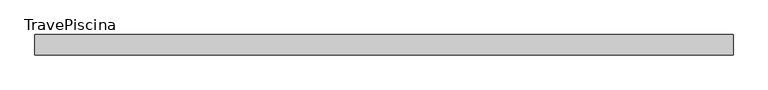
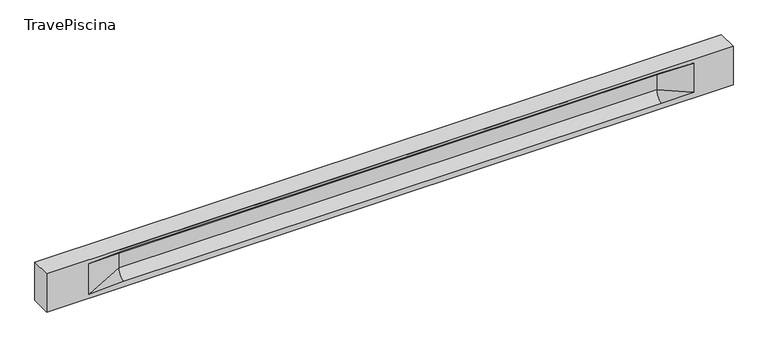
"""IFC4 building model written with IfcOpenShell, lengths in millimetres: beam geometry, TravePiscina."""

from ifc_helpers import new_model, si_unit, frame, origin, place, context, project, spatial, polyline, circle_curve, source, transform, mapped, element, save
from ifc_brep_helpers import plane_surface, revolved_surface, spline_surface, advanced_brep


def travepiscina_f6c39da1(model_context):
    return source(origin(), model_context, "Body", "AdvancedBrep", [
        advanced_brep(
        [(8500.5, -250.0, 500.0), (8500.5, -250.0, -500.0), (8500.5, 250.0, -500.0), (8500.5, 250.0, 500.0), (-8500.5, -250.0, 500.0), (-8500.5, -250.0, -500.0), (7525.5, -250.0, -362.0), (6725.5, -250.0, -360.0), (-6600.5, -250.0, -360.0), (-7450.5, -250.0, -400.0), (-7450.5, -250.0, 400.0), (-6600.5, -250.0, 435.0), (6725.5, -250.0, 435.0), (7525.5, -250.0, 400.0), (-8500.5, 250.0, -500.0), (-8500.5, 250.0, 500.0), (7525.5, 250.0, 400.0), (6725.5, 250.0, 435.0), (-6600.5, 250.0, 435.0), (-7450.5, 250.0, 400.0), (-7450.5, 250.0, -400.0), (-6600.5, 250.0, -360.0), (6725.5, 250.0, -360.0), (7525.5, 250.0, -362.0), (6725.5, 155.0, 405.0), (-6600.5, 155.0, 405.0), (-6600.5, -60.0, 262.777021), (6725.5, -60.0, 262.777021), (6725.5, -155.0, 405.0), (-6600.5, -155.0, 405.0), (-6600.5, 60.0, 262.777021), (6725.5, 60.0, 262.777021), (6725.5, 60.0, -120.0), (-6600.5, 60.0, -120.0), (-6600.5, -60.0, -120.0), (6725.5, -60.0, -120.0)],
        [
            (0, 1),
            (1, 2),
            (2, 3),
            (3, 0),
            (0, 4),
            (4, 5),
            (5, 1),
            (6, 7),
            (7, 8),
            (8, 9),
            (9, 10),
            (10, 11),
            (11, 12),
            (12, 13),
            (13, 6),
            (5, 14),
            (14, 2),
            (14, 15),
            (15, 3),
            (16, 17),
            (17, 18),
            (18, 19),
            (19, 20),
            (20, 21),
            (21, 22),
            (22, 23),
            (23, 16),
            (15, 4),
            (17, 24),
            (24, 25),
            (25, 18),
            (26, 27),
            (27, 28, circle_curve(frame((6725.5, -213.9598725, 262.777021), z_axis=(1.0, 0.0, 0.0), x_axis=(0.0, 1.0, 0.0)), 153.9598725)),
            (28, 29),
            (29, 26, circle_curve(frame((-6600.5, -213.9598725, 262.777021), z_axis=(-1.0, 0.0, 0.0), x_axis=(0.0, 1.0, 0.0)), 153.9598725)),
            (30, 31),
            (31, 32),
            (32, 33),
            (33, 30),
            (28, 12),
            (11, 29),
            (34, 35),
            (35, 27),
            (26, 34),
            (25, 19),
            (22, 32, circle_curve(frame((6725.5, 306.5789474, -120.0), z_axis=(-1.0, 0.0, 0.0), x_axis=(0.0, 1.0, 0.0)), 246.5789474)),
            (32, 23),
            (10, 29),
            (10, 26),
            (13, 28),
            (27, 13),
            (30, 19),
            (25, 30, circle_curve(frame((-6600.5, 213.9598725, 262.777021), z_axis=(1.0, 0.0, 0.0), x_axis=(0.0, 1.0, 0.0)), 153.9598725)),
            (9, 34),
            (8, 34, circle_curve(frame((-6600.5, -306.5789474, -120.0), z_axis=(1.0, 0.0, 0.0), x_axis=(0.0, 1.0, 0.0)), 246.5789474)),
            (20, 33),
            (33, 21, circle_curve(frame((-6600.5, 306.5789474, -120.0), z_axis=(1.0, 0.0, 0.0), x_axis=(0.0, 1.0, 0.0)), 246.5789474)),
            (35, 6),
            (35, 7, circle_curve(frame((6725.5, -306.5789474, -120.0), z_axis=(-1.0, 0.0, 0.0), x_axis=(0.0, 1.0, 0.0)), 246.5789474)),
            (31, 16),
            (31, 24, circle_curve(frame((6725.5, 213.9598725, 262.777021), z_axis=(-1.0, 0.0, 0.0), x_axis=(0.0, 1.0, 0.0)), 153.9598725)),
            (24, 16),
        ],
        [
            plane_surface(frame((8500.5, 0.0, 0.0), z_axis=(1.0, 0.0, 0.0), x_axis=(0.0, 0.0, 1.0))),
            plane_surface(frame((8500.5, -250.0, 500.0), z_axis=(0.0, -1.0, 0.0), x_axis=(-1.0, 0.0, 0.0))),
            plane_surface(frame((8500.5, -250.0, -500.0), z_axis=(0.0, 0.0, -1.0), x_axis=(-1.0, 0.0, 0.0))),
            plane_surface(frame((8500.5, 250.0, -500.0), z_axis=(0.0, 1.0, 0.0), x_axis=(-1.0, 0.0, 0.0))),
            plane_surface(frame((8500.5, 250.0, 500.0), z_axis=(0.0, 0.0, 1.0), x_axis=(-1.0, 0.0, 0.0))),
            plane_surface(frame((-6600.5, 250.0, 435.0), z_axis=(0.0, 0.30113136793710954, -0.9535826651341378), x_axis=(1.0, 0.0, 0.0))),
            plane_surface(frame((-8500.5, 0.0, 0.0), z_axis=(-1.0, 0.0, 0.0), x_axis=(0.0, 0.0, 1.0))),
            revolved_surface(polyline([(6725.5, -60.0, 262.777021), (-6600.5, -60.0, 262.777021)]), (-6600.5, -213.9598725, 262.777021), (1.0, 0.0, 0.0)),
            plane_surface(frame((-6600.5, 60.0, 262.777021), z_axis=(0.0, 1.0, 0.0), x_axis=(1.0, 0.0, 0.0))),
            plane_surface(frame((-6600.5, -155.0, 405.0), z_axis=(0.0, -0.30113136793710693, -0.9535826651341387), x_axis=(1.0, 0.0, 0.0))),
            plane_surface(frame((-6600.5, -60.0, -120.0), z_axis=(0.0, -1.0, 0.0), x_axis=(1.0, 0.0, 0.0))),
            plane_surface(frame((-7450.5, 250.0, 400.0), z_axis=(0.03923493491469425, 0.30089950084952793, -0.9528484193567961), x_axis=(0.0, 0.9535826651341378, 0.30113136793710954))),
            spline_surface(2, 1, [[(6725.5, 250.0, -360.0), (7525.5, 250.0, -362.0)], [(6725.5, 60.00000002887427, -315.20833329480604), (7525.5, 250.0, -362.0)], [(6725.5, 60.0, -120.0), (7525.5, 250.0, -362.0)]], [3, 3], [2, 2], [0.0, 1.0], [0.0, 1.0], weights=[[1.0, 1.0], [0.7840458245391329, 0.7840458245391329], [1.0, 1.0]]),
            plane_surface(frame((-7450.5, -250.0, 400.0), z_axis=(0.03923493491469428, -0.3008995008495253, -0.952848419356797), x_axis=(0.0, 0.9535826651341387, -0.30113136793710693))),
            spline_surface(2, 1, [[(-7450.5, -250.0, 400.0), (-6600.5, -155.0, 405.0)], [(-7450.5, -250.0, 400.0), (-6600.5, -60.00000008030692, 365.6168572114734)], [(-7450.5, -250.0, 400.0), (-6600.5, -60.0, 262.777021)]], [3, 3], [2, 2], [0.0, 1.0], [0.0, 1.0], weights=[[1.0, 1.0], [0.8315515924557569, 0.8315515924557569], [1.0, 1.0]]),
            spline_surface(2, 1, [[(6725.5, -155.0, 405.0), (7525.5, -250.0, 400.0)], [(6725.5, -60.00000008030692, 365.6168572114734), (7525.5, -250.0, 400.0)], [(6725.5, -60.0, 262.777021), (7525.5, -250.0, 400.0)]], [3, 3], [2, 2], [0.0, 1.0], [0.0, 1.0], weights=[[1.0, 1.0], [0.8315515924557569, 0.8315515924557569], [1.0, 1.0]]),
            plane_surface(frame((6725.5, -202.5, 420.0), z_axis=(-0.04168298285568757, -0.30086965068766125, -0.9527538938442274), x_axis=(0.0, 0.9535826651341387, -0.30113136793710693))),
            spline_surface(2, 1, [[(-7450.5, 250.0, 400.0), (-6600.5, 60.0, 262.777021)], [(-7450.5, 250.0, 400.0), (-6600.5, 59.99999995452379, 365.6168572954922)], [(-7450.5, 250.0, 400.0), (-6600.5, 155.0, 405.0)]], [3, 3], [2, 2], [0.0, 1.0], [0.0, 1.0], weights=[[1.0, 1.0], [0.8315515921160737, 0.8315515921160737], [1.0, 1.0]]),
            plane_surface(frame((-7450.5, -250.0, 0.0), z_axis=(0.21814596370705175, -0.9759161534262673, 0.0), x_axis=(0.0, 0.0, -1.0))),
            spline_surface(2, 1, [[(-7450.5, -250.0, -400.0), (-6600.5, -60.0, -120.0)], [(-7450.5, -250.0, -400.0), (-6600.5, -59.99999998020837, -315.20833333333337)], [(-7450.5, -250.0, -400.0), (-6600.5, -250.0, -360.0)]], [3, 3], [2, 2], [0.0, 1.0], [0.0, 1.0], weights=[[1.0, 1.0], [0.7840458244617614, 0.7840458244617614], [1.0, 1.0]]),
            spline_surface(2, 1, [[(-7450.5, 250.0, -400.0), (-6600.5, 250.0, -360.0)], [(-7450.5, 250.0, -400.0), (-6600.5, 60.00000002887427, -315.20833329480604)], [(-7450.5, 250.0, -400.0), (-6600.5, 60.0, -120.0)]], [3, 3], [2, 2], [0.0, 1.0], [0.0, 1.0], weights=[[1.0, 1.0], [0.7840458245391329, 0.7840458245391329], [1.0, 1.0]]),
            plane_surface(frame((-7450.5, 250.0, 0.0), z_axis=(0.2181459637070477, 0.9759161534262683, 0.0), x_axis=(0.0, 0.0, 1.0))),
            plane_surface(frame((6725.5, -60.0, 71.3885105), z_axis=(-0.23107243079589793, -0.9729365507195601, 0.0), x_axis=(0.0, 0.0, -1.0))),
            spline_surface(2, 1, [[(6725.5, -60.0, -120.0), (7525.5, -250.0, -362.0)], [(6725.5, -59.99999998020837, -315.20833333333337), (7525.5, -250.0, -362.0)], [(6725.5, -250.0, -360.0), (7525.5, -250.0, -362.0)]], [3, 3], [2, 2], [0.0, 1.0], [0.0, 1.0], weights=[[1.0, 1.0], [0.7840458244617614, 0.7840458244617614], [1.0, 1.0]]),
            plane_surface(frame((6725.5, 60.0, 71.3885105), z_axis=(-0.2310724307958915, 0.9729365507195615, 0.0), x_axis=(0.0, 0.0, 1.0))),
            spline_surface(2, 1, [[(6725.5, 60.0, 262.777021), (7525.5, 250.0, 400.0)], [(6725.5, 59.99999995452379, 365.6168572954922), (7525.5, 250.0, 400.0)], [(6725.5, 155.0, 405.0), (7525.5, 250.0, 400.0)]], [3, 3], [2, 2], [0.0, 1.0], [0.0, 1.0], weights=[[1.0, 1.0], [0.8315515921160737, 0.8315515921160737], [1.0, 1.0]]),
            plane_surface(frame((6725.5, 202.5, 420.0), z_axis=(-0.041682982855686834, 0.30086965068766386, -0.9527538938442265), x_axis=(0.0, 0.9535826651341378, 0.30113136793710954))),
            revolved_surface(polyline([(6725.5, 367.919745, 262.777021), (-6600.5, 367.919745, 262.777021)]), (-6600.5, 213.9598725, 262.777021), (1.0, 0.0, 0.0)),
            revolved_surface(polyline([(6725.5, 553.1578948, -120.0), (-6600.5, 553.1578948, -120.0)]), (-6600.5, 306.5789474, -120.0), (1.0, 0.0, 0.0)),
            revolved_surface(polyline([(6725.5, -60.0, -120.0), (-6600.5, -60.0, -120.0)]), (-6600.5, -306.5789474, -120.0), (1.0, 0.0, 0.0)),
        ],
        [
            (0, [[1, 2, 3, 4]]),
            (1, [[-1, 5, 6, 7], [8, 9, 10, 11, 12, 13, 14, 15]]),
            (2, [[-2, -7, 16, 17]]),
            (3, [[-3, -17, 18, 19], [20, 21, 22, 23, 24, 25, 26, 27]]),
            (4, [[-5, -4, -19, 28]]),
            (5, [[-21, 29, 30, 31]]),
            (6, [[-28, -18, -16, -6]]),
            (7, [[32, 33, 34, 35]]),
            (8, [[36, 37, 38, 39]]),
            (9, [[-34, 40, -13, 41]]),
            (10, [[42, 43, -32, 44]]),
            (11, [[45, -22, -31]]),
            (12, [[-26, 46, 47]]),
            (13, [[-12, 48, -41]]),
            (14, [[-48, 49, -35]]),
            (15, [[50, -33, 51]]),
            (16, [[-14, -40, -50]]),
            (17, [[52, -45, 53]]),
            (18, [[-49, -11, 54, -44]]),
            (19, [[-54, -10, 55]]),
            (20, [[-24, 56, 57]]),
            (21, [[-52, -39, -56, -23]]),
            (22, [[-51, -43, 58, -15]]),
            (23, [[-58, 59, -8]]),
            (24, [[-47, -37, 60, -27]]),
            (25, [[-60, 61, 62]]),
            (26, [[-62, -29, -20]]),
            (27, [[-30, -61, -36, -53]]),
            (28, [[-38, -46, -25, -57]]),
            (29, [[-9, -59, -42, -55]]),
        ],
    ),
    ])


if __name__ == "__main__":
    model = new_model("IFC4")
    model_context = context("Model", 3, world=origin())
    ifc_project = project(units=[si_unit("LENGTHUNIT", "METRE", prefix="MILLI")], contexts=[model_context])
    site = spatial("IfcSite", under=ifc_project)
    building = spatial("IfcBuilding", under=site)
    placement = place(None, origin())
    travepiscina_shape = travepiscina_f6c39da1(model_context)
    element("IfcBeam", 1, ObjectType="TravePiscina", at=placement, inside=building, context=model_context, shape_type="MappedRepresentation", body=[
        mapped(travepiscina_shape, transform((0.0, 0.0, 0.0), x_axis=(1.0, 0.0, 0.0), y_axis=(0.0, 1.0, 0.0), z_axis=(0.0, 0.0, 1.0))),
    ])
    save(model, "model.ifc")
